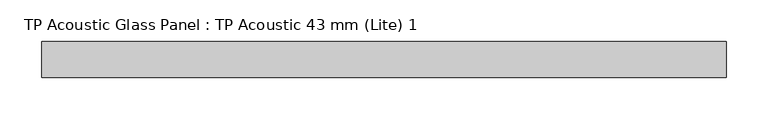
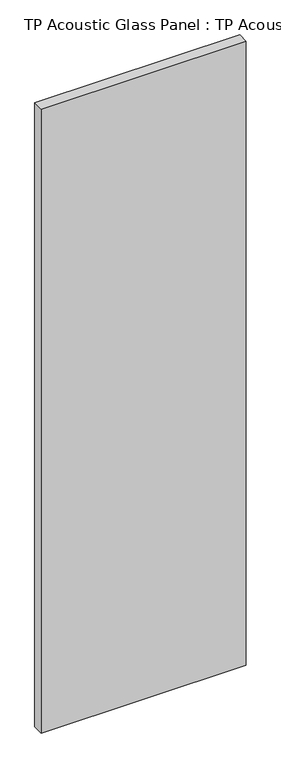
"""IFC4 building model written with IfcOpenShell, lengths in millimetres: plate geometry, TP Acoustic Glass Panel : TP Acoustic 43 mm (Lite) 1."""

from ifc_helpers import new_model, si_unit, origin, origin_with_axes, place, context, project, spatial, polyline, outline, extrude, source, transform, mapped, element, save


def tp_acoustic_glass_panel_tp_acoustic_43_mm_lite_1_d3a22d0f(model_context):
    return source(origin(), model_context, "Body", "SweptSolid", [
        extrude(outline(polyline([(408.5, -21.5), (-408.5, -21.5), (-408.5, 21.5), (408.5, 21.5), (408.5, -21.5)])), origin_with_axes(), (0.0, 0.0, 1.0), 2628.0),
    ])


if __name__ == "__main__":
    model = new_model("IFC4")
    model_context = context("Model", 3, world=origin())
    ifc_project = project(units=[si_unit("LENGTHUNIT", "METRE", prefix="MILLI")], contexts=[model_context])
    site = spatial("IfcSite", under=ifc_project)
    building = spatial("IfcBuilding", under=site)
    placement = place(None, origin())
    tp_acoustic_glass_panel_tp_acoustic_43_mm_lite_1_shape = tp_acoustic_glass_panel_tp_acoustic_43_mm_lite_1_d3a22d0f(model_context)
    element("IfcPlate", 1, ObjectType="TP Acoustic Glass Panel : TP Acoustic 43 mm (Lite) 1", at=placement, inside=building, context=model_context, shape_type="MappedRepresentation", body=[
        mapped(tp_acoustic_glass_panel_tp_acoustic_43_mm_lite_1_shape, transform((0.0, 0.0, 0.0), x_axis=(1.0, 0.0, 0.0), y_axis=(0.0, 1.0, 0.0), z_axis=(0.0, 0.0, 1.0))),
    ])
    save(model, "model.ifc")
